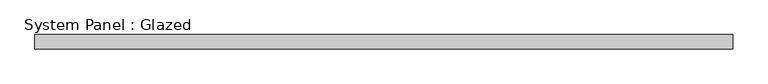
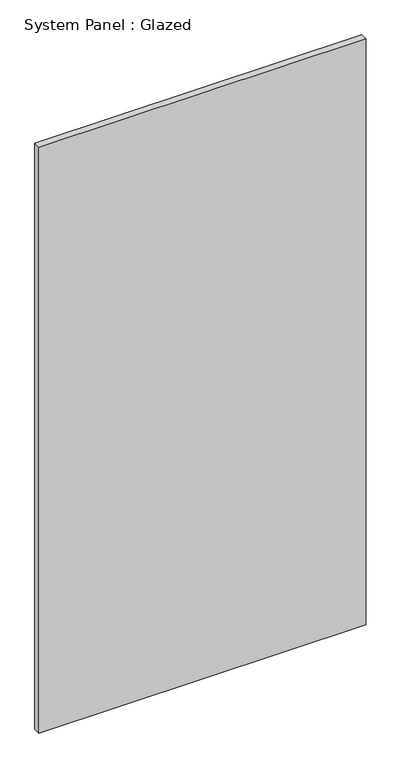
"""IFC4 building model written with IfcOpenShell, lengths in millimetres: plate geometry, System Panel : Glazed."""

from ifc_helpers import new_model, si_unit, origin, origin_with_axes, place, context, project, spatial, polyline, outline, extrude, source, transform, mapped, element, save


def system_panel_glazed_56d8334f(model_context):
    return source(origin(), model_context, "Body", "SweptSolid", [
        extrude(outline(polyline([(614.2988872, 24.5), (-614.2988872, 24.5), (-614.2988872, 49.5), (614.2988872, 49.5), (614.2988872, 24.5)])), origin_with_axes(), (0.0, 0.0, 1.0), 2325.0),
    ])


if __name__ == "__main__":
    model = new_model("IFC4")
    model_context = context("Model", 3, world=origin())
    ifc_project = project(units=[si_unit("LENGTHUNIT", "METRE", prefix="MILLI")], contexts=[model_context])
    site = spatial("IfcSite", under=ifc_project)
    building = spatial("IfcBuilding", under=site)
    placement = place(None, origin())
    system_panel_glazed_shape = system_panel_glazed_56d8334f(model_context)
    element("IfcPlate", 1, ObjectType="System Panel : Glazed", at=placement, inside=building, context=model_context, shape_type="MappedRepresentation", body=[
        mapped(system_panel_glazed_shape, transform((0.0, 0.0, 0.0), x_axis=(1.0, 0.0, 0.0), y_axis=(0.0, 1.0, 0.0), z_axis=(0.0, 0.0, 1.0))),
    ])
    save(model, "model.ifc")
